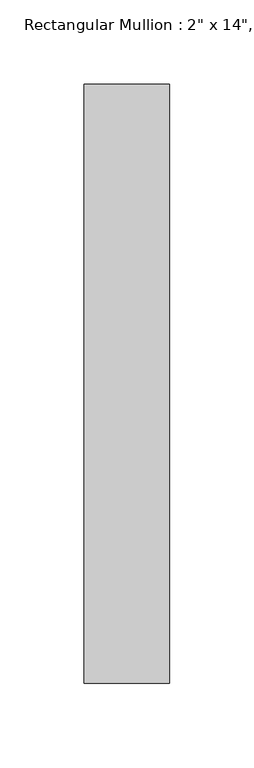
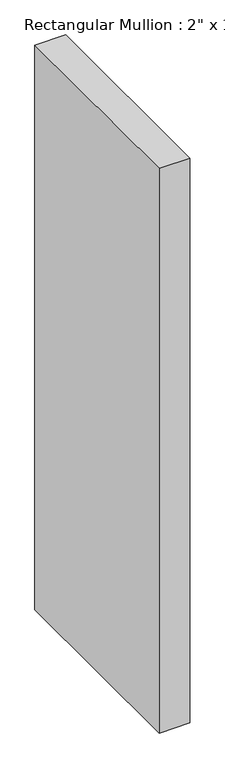
"""IFC4 building model written with IfcOpenShell, lengths in millimetres: member geometry."""

from ifc_helpers import new_model, si_unit, frame, origin, place, context, project, spatial, polyline, outline, extrude, source, transform, mapped, element, save


def member_0a07f169(model_context):
    return source(origin(), model_context, "Body", "SweptSolid", [
        extrude(outline(polyline([(0.0, 152.4), (0.0, -203.2), (-50.8, -203.2), (-50.8, 152.4), (0.0, 152.4)])), frame((0.0, 0.0, -987.425), z_axis=(0.0, 0.0, 1.0), x_axis=(1.0, 0.0, 0.0)), (0.0, 0.0, 1.0), 987.425),
    ])


if __name__ == "__main__":
    model = new_model("IFC4")
    model_context = context("Model", 3, world=origin())
    ifc_project = project(units=[si_unit("LENGTHUNIT", "METRE", prefix="MILLI")], contexts=[model_context])
    site = spatial("IfcSite", under=ifc_project)
    building = spatial("IfcBuilding", under=site)
    placement = place(None, origin())
    member_shape = member_0a07f169(model_context)
    element("IfcMember", 1, ObjectType="Rectangular Mullion : 2\" x 14\", Offset 1\"", at=placement, inside=building, context=model_context, shape_type="MappedRepresentation", body=[
        mapped(member_shape, transform((0.0, 0.0, 0.0), x_axis=(1.0, 0.0, 0.0), y_axis=(0.0, 1.0, 0.0), z_axis=(0.0, 0.0, 1.0))),
    ])
    save(model, "model.ifc")
